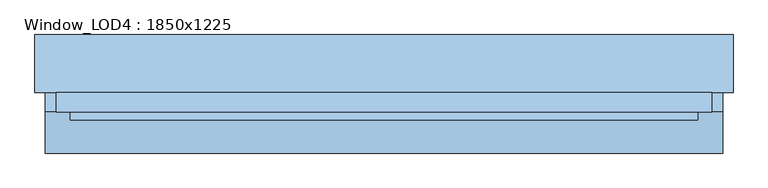
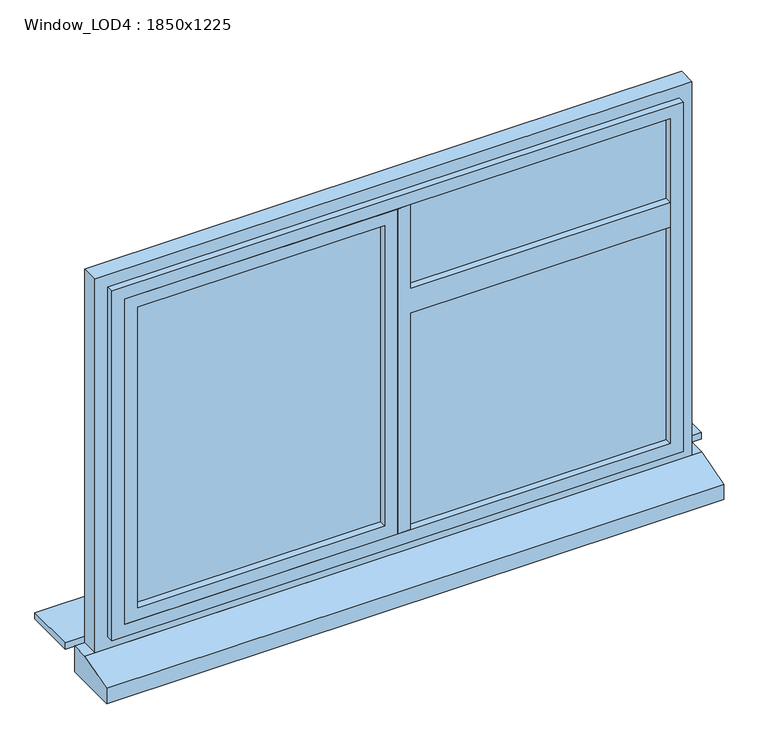
"""IFC4 building model written with IfcOpenShell, lengths in millimetres: window geometry, Window_LOD4 : 1850x1225."""

from ifc_helpers import new_model, si_unit, frame, origin, place, context, project, spatial, polyline, outline, extrude, source, transform, mapped, element, save


def window_lod4_1850x1225_f4424724(model_context):
    return source(origin(), model_context, "Body", "SweptSolid", [
        extrude(outline(polyline([(1590.0, 40.0), (1590.0, 845.000037), (1670.0, 845.000037), (1670.0, 40.0), (1945.0000491, 40.0), (1945.0000491, 0.0), (880.0, 0.0), (880.0, 40.0), (1590.0, 40.0)])), frame((0.0, -90.0, 0.0), z_axis=(0.0, 1.0, 0.0), x_axis=(0.0, 0.0, 1.0)), (0.0, 0.0, 1.0), 55.0),
        extrude(outline(polyline([(1945.0000491, 0.0), (1945.0000491, -845.000037), (880.0, -845.000037), (880.0, 0.0), (1945.0000491, 0.0)]), holes=[polyline([(1905.0000491, -40.0), (920.0, -40.0), (920.0, -805.000037), (1905.0000491, -805.000037), (1905.0000491, -40.0)])]), frame((0.0, -90.0, 0.0), z_axis=(0.0, 1.0, 0.0), x_axis=(0.0, 0.0, 1.0)), (0.0, 0.0, 1.0), 55.0),
        extrude(outline(polyline([(845.000037, -57.5), (845.000037, -67.5), (40.0, -67.5), (40.0, -57.5), (845.000037, -57.5)])), frame((0.0, 0.0, 880.0), z_axis=(0.0, 0.0, 1.0), x_axis=(1.0, 0.0, 0.0)), (0.0, 0.0, 1.0), 1065.0000491),
        extrude(outline(polyline([(1985.0000491, -885.000037), (840.0, -885.000037), (840.0, 885.000037), (1985.0000491, 885.000037), (1985.0000491, -885.000037)]), holes=[polyline([(1945.0000491, -845.000037), (1945.0000491, 845.000037), (880.0, 845.000037), (880.0, -845.000037), (1945.0000491, -845.000037)])]), frame((0.0, -90.0, 0.0), z_axis=(0.0, 1.0, 0.0), x_axis=(0.0, 0.0, 1.0)), (0.0, 0.0, 1.0), 55.0),
        extrude(outline(polyline([(-40.0, -57.5), (-40.0, -67.5), (-845.000037, -67.5), (-845.000037, -57.5), (-40.0, -57.5)])), frame((0.0, 0.0, 880.0), z_axis=(0.0, 0.0, 1.0), x_axis=(1.0, 0.0, 0.0)), (0.0, 0.0, 1.0), 1065.0000491),
        extrude(outline(polyline([(-67.5, 800.0), (-12.5, 800.0), (-12.5, 715.0), (-184.3178759, 715.0), (-184.3178759, 765.0), (-67.5, 800.0)])), frame((-955.8151868, 0.0, 0.0), z_axis=(1.0, 0.0, 0.0), x_axis=(0.0, 1.0, 0.0)), (0.0, 0.0, 1.0), 1911.6303737),
        extrude(outline(polyline([(2025.0000491, -925.000037), (800.0, -925.000037), (800.0, 925.000037), (2025.0000491, 925.000037), (2025.0000491, -925.000037)]), holes=[polyline([(1985.0000491, -885.000037), (1985.0000491, 885.000037), (840.0, 885.000037), (840.0, -885.000037), (1985.0000491, -885.000037)])]), frame((0.0, -67.5, 0.0), z_axis=(0.0, 1.0, 0.0), x_axis=(0.0, 0.0, 1.0)), (0.0, 0.0, 1.0), 55.0),
        extrude(outline(polyline([(985.000037, -12.5), (-985.000037, -12.5), (-985.000037, 150.116658), (985.000037, 150.116658), (985.000037, -12.5)])), frame((0.0, 0.0, 800.0), z_axis=(0.0, 0.0, 1.0), x_axis=(1.0, 0.0, 0.0)), (0.0, 0.0, 1.0), 20.0),
    ])


if __name__ == "__main__":
    model = new_model("IFC4")
    model_context = context("Model", 3, world=origin())
    ifc_project = project(units=[si_unit("LENGTHUNIT", "METRE", prefix="MILLI")], contexts=[model_context])
    site = spatial("IfcSite", under=ifc_project)
    building = spatial("IfcBuilding", under=site)
    placement = place(None, origin())
    window_lod4_1850x1225_shape = window_lod4_1850x1225_f4424724(model_context)
    element("IfcWindow", 1, ObjectType="Window_LOD4 : 1850x1225", at=placement, inside=building, context=model_context, shape_type="MappedRepresentation", body=[
        mapped(window_lod4_1850x1225_shape, transform((0.0, 0.0, 0.0), x_axis=(1.0, 0.0, 0.0), y_axis=(0.0, 1.0, 0.0), z_axis=(0.0, 0.0, 1.0))),
    ])
    save(model, "model.ifc")
